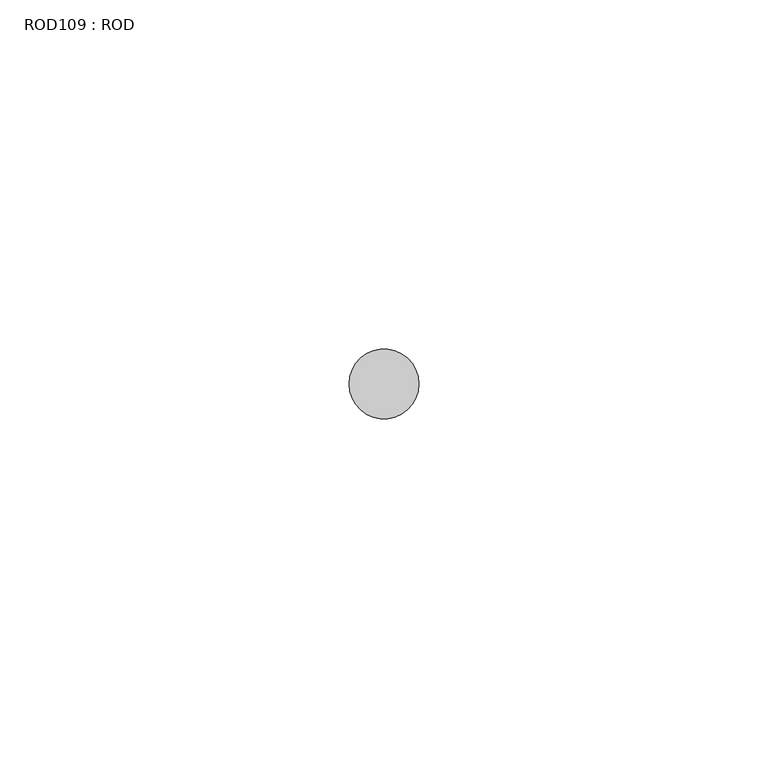
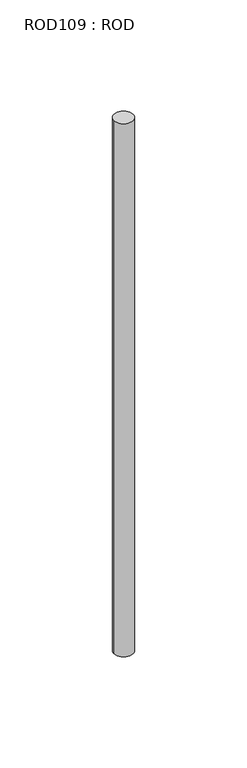
"""IFC4 building model written with IfcOpenShell, lengths in millimetres: proxy geometry, ROD109 : ROD."""

from ifc_helpers import new_model, si_unit, point, frame, frame_2d, origin, place, context, project, spatial, circle_curve, trimmed, segment, composite_curve, outline, extrude, source, transform, mapped, element, save


def rod109_rod_bea3302a(model_context):
    return source(origin(), model_context, "Body", "SweptSolid", [
        extrude(outline(composite_curve([segment(trimmed(circle_curve(frame_2d((-3800.2326676, -14542.0031593)), 5.0), [point((-3805.2326676, -14542.0031593))], [point((-3795.2326676, -14542.0031593))], False, "CARTESIAN"), True, "CONTINUOUS"), segment(trimmed(circle_curve(frame_2d((-3800.2326676, -14542.0031593)), 5.0), [point((-3795.2326676, -14542.0031593))], [point((-3805.2326676, -14542.0031593))], False, "CARTESIAN"), True, "CONTINUOUS")], self_intersect=False)), frame((0.0, 0.0, -108.6608845), z_axis=(0.0, 0.0, 1.0), x_axis=(1.0, 0.0, 0.0)), (0.0, 0.0, 1.0), 298.9028972),
    ])


if __name__ == "__main__":
    model = new_model("IFC4")
    model_context = context("Model", 3, world=origin())
    ifc_project = project(units=[si_unit("LENGTHUNIT", "METRE", prefix="MILLI")], contexts=[model_context])
    site = spatial("IfcSite", under=ifc_project)
    building = spatial("IfcBuilding", under=site)
    placement = place(None, origin())
    rod109_rod_shape = rod109_rod_bea3302a(model_context)
    element("IfcBuildingElementProxy", 1, Name="ROD109 : ROD", ObjectType="ROD109 : ROD", at=placement, inside=building, context=model_context, shape_type="MappedRepresentation", body=[
        mapped(rod109_rod_shape, transform((0.0, 0.0, 0.0), x_axis=(1.0, 0.0, 0.0), y_axis=(0.0, 1.0, 0.0), z_axis=(0.0, 0.0, 1.0))),
    ])
    save(model, "model.ifc")
